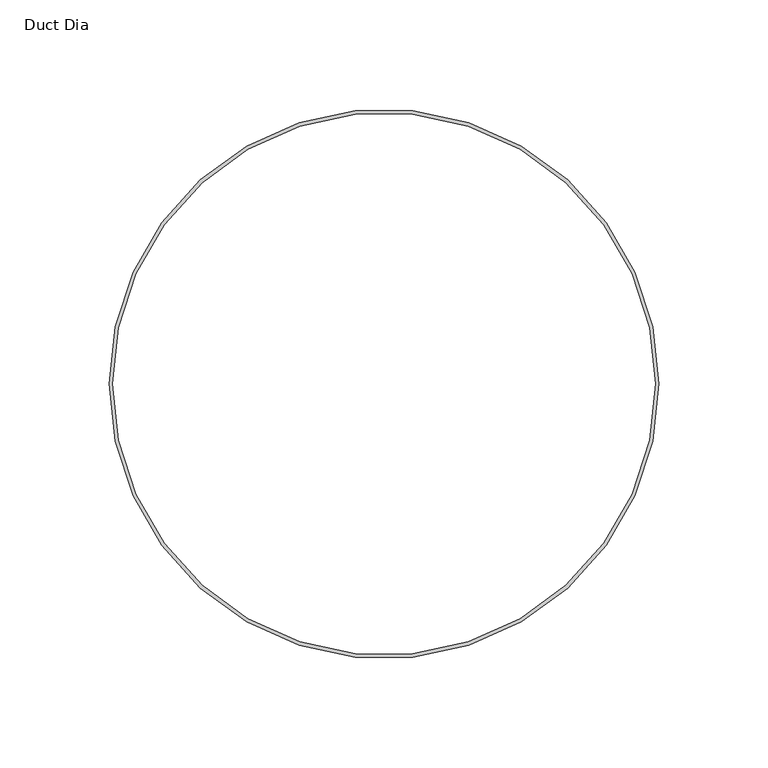
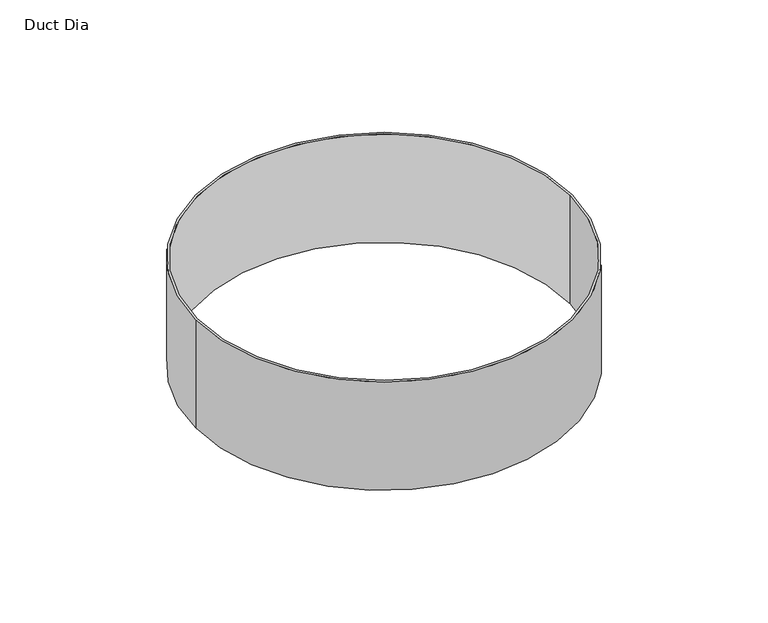
"""IFC4 building model written with IfcOpenShell, lengths in millimetres: proxy geometry, Duct Dia."""

from ifc_helpers import new_model, si_unit, point, origin, origin_with_axes, origin_2d, place, context, project, spatial, circle_curve, trimmed, segment, composite_curve, outline, extrude, source, transform, mapped, element, save


def duct_dia_2c296c8a(model_context):
    return source(origin(), model_context, "Body", "SweptSolid", [
        extrude(outline(composite_curve([segment(trimmed(circle_curve(origin_2d(), 125.4621094), [point((-125.4621094, 0.0))], [point((125.4621094, 0.0))], False, "CARTESIAN"), True, "CONTINUOUS"), segment(trimmed(circle_curve(origin_2d(), 125.4621094), [point((125.4621094, 0.0))], [point((-125.4621094, 0.0))], False, "CARTESIAN"), True, "CONTINUOUS")], self_intersect=False), holes=[composite_curve([segment(trimmed(circle_curve(origin_2d(), 123.8746094), [point((-123.8746094, 0.0))], [point((123.8746094, 0.0))], True, "CARTESIAN"), True, "CONTINUOUS"), segment(trimmed(circle_curve(origin_2d(), 123.8746094), [point((123.8746094, 0.0))], [point((-123.8746094, 0.0))], True, "CARTESIAN"), True, "CONTINUOUS")], self_intersect=False)]), origin_with_axes(), (0.0, 0.0, 1.0), 76.2),
    ])


if __name__ == "__main__":
    model = new_model("IFC4")
    model_context = context("Model", 3, world=origin())
    ifc_project = project(units=[si_unit("LENGTHUNIT", "METRE", prefix="MILLI")], contexts=[model_context])
    site = spatial("IfcSite", under=ifc_project)
    building = spatial("IfcBuilding", under=site)
    placement = place(None, origin())
    duct_dia_shape = duct_dia_2c296c8a(model_context)
    element("IfcBuildingElementProxy", 1, Name="Duct Dia", ObjectType="Duct Dia", at=placement, inside=building, context=model_context, shape_type="MappedRepresentation", body=[
        mapped(duct_dia_shape, transform((0.0, 0.0, 0.0), x_axis=(1.0, 0.0, 0.0), y_axis=(0.0, 1.0, 0.0), z_axis=(0.0, 0.0, 1.0))),
    ])
    save(model, "model.ifc")
